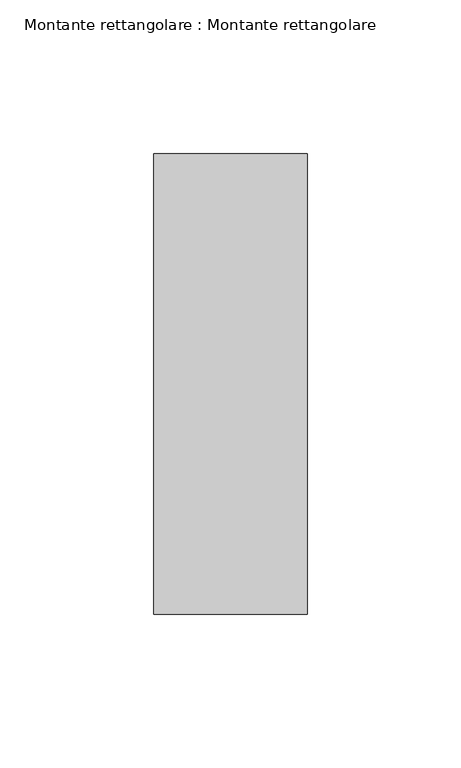
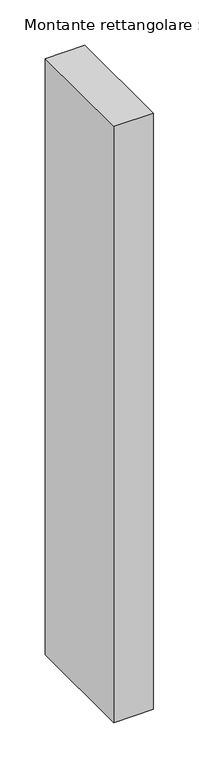
"""IFC4 building model written with IfcOpenShell, lengths in millimetres: member geometry, Montante rettangolare : Montante rettangolare."""

from ifc_helpers import new_model, si_unit, frame, origin, place, context, project, spatial, polyline, outline, extrude, source, transform, mapped, element, save


def montante_rettangolare_montante_rettangolare_14f10ac7(model_context):
    return source(origin(), model_context, "Body", "SweptSolid", [
        extrude(outline(polyline([(25.0, 75.0), (25.0, -75.0), (-25.0, -75.0), (-25.0, 75.0), (25.0, 75.0)])), frame((0.0, 0.0, -800.0), z_axis=(0.0, 0.0, 1.0), x_axis=(1.0, 0.0, 0.0)), (0.0, 0.0, 1.0), 800.0),
    ])


if __name__ == "__main__":
    model = new_model("IFC4")
    model_context = context("Model", 3, world=origin())
    ifc_project = project(units=[si_unit("LENGTHUNIT", "METRE", prefix="MILLI")], contexts=[model_context])
    site = spatial("IfcSite", under=ifc_project)
    building = spatial("IfcBuilding", under=site)
    placement = place(None, origin())
    montante_rettangolare_montante_rettangolare_shape = montante_rettangolare_montante_rettangolare_14f10ac7(model_context)
    element("IfcMember", 1, ObjectType="Montante rettangolare : Montante rettangolare", at=placement, inside=building, context=model_context, shape_type="MappedRepresentation", body=[
        mapped(montante_rettangolare_montante_rettangolare_shape, transform((0.0, 0.0, 0.0), x_axis=(1.0, 0.0, 0.0), y_axis=(0.0, 1.0, 0.0), z_axis=(0.0, 0.0, 1.0))),
    ])
    save(model, "model.ifc")
